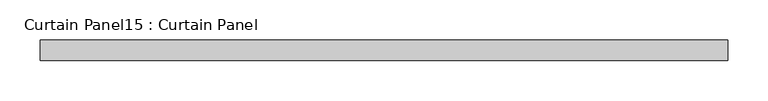
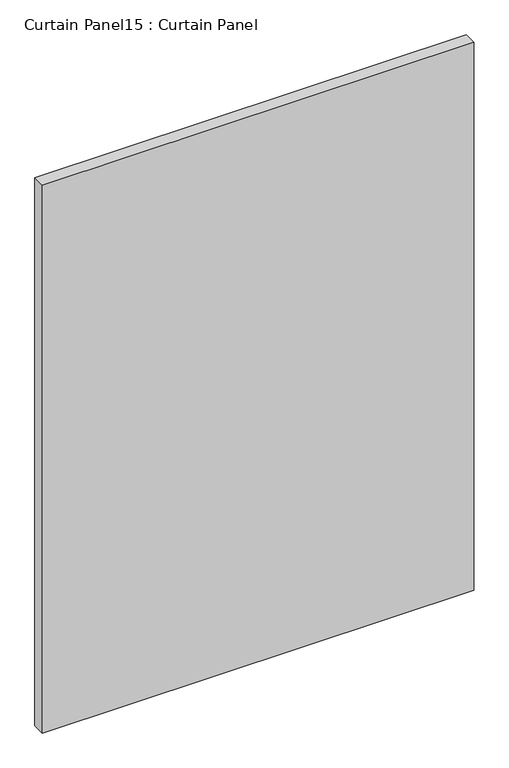
"""IFC4 building model written with IfcOpenShell, lengths in millimetres: plate geometry, Curtain Panel15 : Curtain Panel."""

from ifc_helpers import new_model, si_unit, frame, origin, place, context, project, spatial, polyline, outline, extrude, source, transform, mapped, element, save


def curtain_panel15_curtain_panel_971959c0(model_context):
    return source(origin(), model_context, "Body", "SweptSolid", [
        extrude(outline(polyline([(-170178.3830404, 7403.2117994), (-171029.2830404, 7403.2117994), (-171029.2830404, 7428.6117994), (-170178.3830404, 7428.6117994), (-170178.3830404, 7403.2117994)])), frame((0.0, 0.0, 2455.8625), z_axis=(0.0, 0.0, 1.0), x_axis=(1.0, 0.0, 0.0)), (0.0, 0.0, 1.0), 1143.0),
    ])


if __name__ == "__main__":
    model = new_model("IFC4")
    model_context = context("Model", 3, world=origin())
    ifc_project = project(units=[si_unit("LENGTHUNIT", "METRE", prefix="MILLI")], contexts=[model_context])
    site = spatial("IfcSite", under=ifc_project)
    building = spatial("IfcBuilding", under=site)
    placement = place(None, origin())
    curtain_panel15_curtain_panel_shape = curtain_panel15_curtain_panel_971959c0(model_context)
    element("IfcPlate", 1, ObjectType="Curtain Panel15 : Curtain Panel", at=placement, inside=building, context=model_context, shape_type="MappedRepresentation", body=[
        mapped(curtain_panel15_curtain_panel_shape, transform((0.0, 0.0, 0.0), x_axis=(1.0, 0.0, 0.0), y_axis=(0.0, 1.0, 0.0), z_axis=(0.0, 0.0, 1.0))),
    ])
    save(model, "model.ifc")
